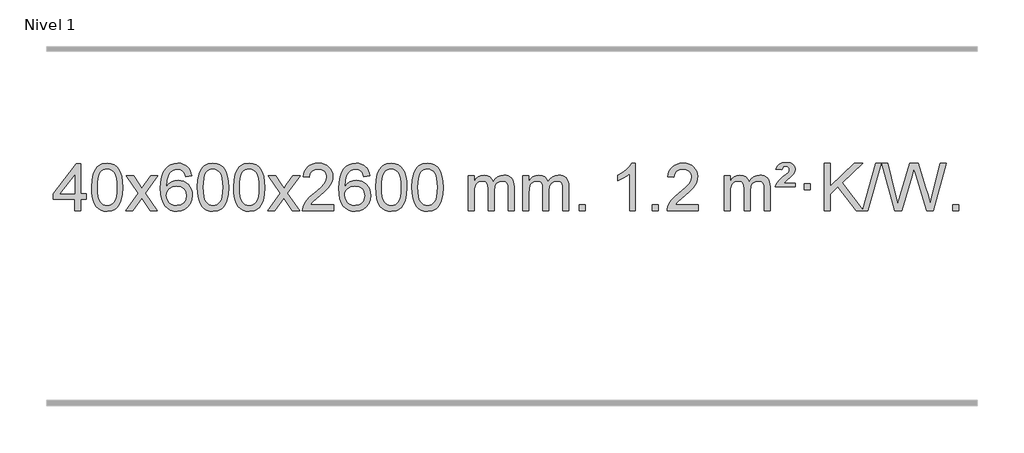
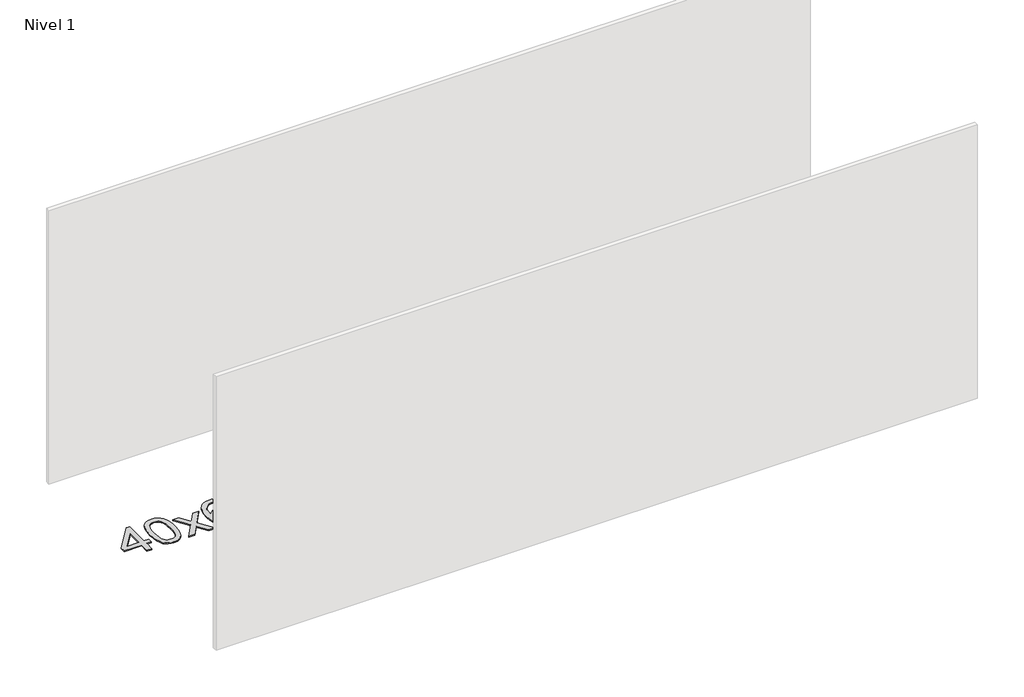
# One storey, part 12 of 12: 1 proxy.
"""IFC4 building model written with IfcOpenShell, lengths in millimetres."""

import ifcopenshell
import ifcopenshell.guid

model = None  # the IFC model being written
_history = None  # IfcOwnerHistory: only IFC2X3 demands one
_inside = {}  # id of a spatial element -> (the spatial element, [elements in it])
_under = {}  # id of a project, library or spatial element -> (it, [spatial elements below it])
_declared = {}  # id of a project -> (the project, [libraries it declares])
_typed = {}  # id of a type object -> (the type object, [elements of that type])
_made_of = {}  # id of a material, layer set ... -> (it, [elements and type objects made of it])


def new_model(schema):
    """Start an empty IFC model of exactly this schema.

    Asked for "IFC4X3", IfcOpenShell would pick the latest addendum, in which some entities
    have other attributes; the version numbers below select the first issue.
    IFC2X3 requires an IfcOwnerHistory on every rooted entity: one is made here for all.
    """
    global model, _history
    if schema == "IFC4X3":
        model = ifcopenshell.file(schema_version=(4, 3, 0, 0))
    else:
        model = ifcopenshell.file(schema=schema)
    _inside.clear()
    _under.clear()
    _declared.clear()
    _typed.clear()
    _made_of.clear()
    _history = None
    if model.schema == "IFC2X3":
        org = make("IfcOrganization", Name="unknown")
        user = make(
            "IfcPersonAndOrganization",
            ThePerson=make("IfcPerson", FamilyName="unknown"),
            TheOrganization=org,
        )
        app = make(
            "IfcApplication",
            ApplicationDeveloper=org,
            Version="unknown",
            ApplicationFullName="unknown",
            ApplicationIdentifier="unknown",
        )
        _history = make(
            "IfcOwnerHistory",
            OwningUser=user,
            OwningApplication=app,
            ChangeAction="ADDED",
            CreationDate=0,
        )
    return model


def make(cls, **values):
    """One entity of the class cls with the attributes given. An attribute that is None is left unset."""
    return model.create_entity(
        cls, **{name: value for name, value in values.items() if value is not None}
    )


def rooted(cls, **values):
    """An entity with a GlobalId (a new one), such as an element, a storey or a relation."""
    return make(cls, GlobalId=ifcopenshell.guid.new(), OwnerHistory=_history, **values)


def si_unit(unit_type, name, prefix=None):
    """IfcSIUnit, for example si_unit("LENGTHUNIT", "METRE", prefix="MILLI")."""
    return make("IfcSIUnit", UnitType=unit_type, Prefix=prefix, Name=name)


def assignment(units):
    """IfcUnitAssignment: the units of a project."""
    return None if units is None else make("IfcUnitAssignment", Units=units)


def point(xyz):
    """IfcCartesianPoint."""
    return None if xyz is None else make("IfcCartesianPoint", Coordinates=xyz)


def direction(xyz):
    """IfcDirection."""
    return None if xyz is None else make("IfcDirection", DirectionRatios=xyz)


def frame(location, z_axis=None, x_axis=None):
    """IfcAxis2Placement3D, a coordinate frame: its origin and axes. An axis left out is left unset."""
    return make(
        "IfcAxis2Placement3D",
        Location=point(location),
        Axis=direction(z_axis),
        RefDirection=direction(x_axis),
    )


def origin():
    """The frame at (0, 0, 0) with its axes left unset."""
    return frame((0.0, 0.0, 0.0))


def origin_with_axes():
    """The frame at (0, 0, 0) with the z axis (0, 0, 1) and the x axis (1, 0, 0) written out."""
    return frame((0.0, 0.0, 0.0), z_axis=(0.0, 0.0, 1.0), x_axis=(1.0, 0.0, 0.0))


def place(relative_to, where):
    """IfcLocalPlacement: puts the frame where relative to a parent placement (None: the world)."""
    return make(
        "IfcLocalPlacement", PlacementRelTo=relative_to, RelativePlacement=where
    )


def context(
    kind, dimensions, precision=None, world=None, true_north=None, identifier=None
):
    """IfcGeometricRepresentationContext, for example the 3D "Model" context."""
    return make(
        "IfcGeometricRepresentationContext",
        ContextIdentifier=identifier,
        ContextType=kind,
        CoordinateSpaceDimension=dimensions,
        Precision=precision,
        WorldCoordinateSystem=world,
        TrueNorth=true_north,
    )


def project(units=None, contexts=None):
    """IfcProject with its units and contexts."""
    return rooted(
        "IfcProject",
        Name="project",
        RepresentationContexts=contexts,
        UnitsInContext=assignment(units),
    )


def spatial(cls, under=None, at=None, **own):
    """A site, building, storey or space (cls), placed at a placement, below another one or the project."""
    s = rooted(cls, ObjectPlacement=at, **own)
    if under is not None:
        _under.setdefault(under.id(), (under, []))[1].append(s)
    return s


def polyline(points):
    """IfcPolyline through the points."""
    return make("IfcPolyline", Points=[point(p) for p in points])


def outline(outer, holes=None, kind="AREA"):
    """IfcArbitraryClosedProfileDef: a profile drawn as a closed curve; with holes, ...WithVoids."""
    if holes is None:
        return make("IfcArbitraryClosedProfileDef", ProfileType=kind, OuterCurve=outer)
    return make(
        "IfcArbitraryProfileDefWithVoids",
        ProfileType=kind,
        OuterCurve=outer,
        InnerCurves=holes,
    )


def extrude(swept, where, along, depth):
    """IfcExtrudedAreaSolid: the profile swept, set in the frame where, extruded along a direction by depth."""
    return make(
        "IfcExtrudedAreaSolid",
        SweptArea=swept,
        Position=where,
        ExtrudedDirection=direction(along),
        Depth=depth,
    )


def shape(context_of_items, identifier, shape_type, items):
    """IfcShapeRepresentation: the items that make up one representation, for example the "Body"."""
    return make(
        "IfcShapeRepresentation",
        ContextOfItems=context_of_items,
        RepresentationIdentifier=identifier,
        RepresentationType=shape_type,
        Items=items,
    )


def made_of(thing, what):
    """Note that an element or type object is made of a material, layer set ...; save() writes the relation."""
    if what is not None:
        _made_of.setdefault(what.id(), (what, []))[1].append(thing)
    return thing


def element(
    cls,
    number,
    at=None,
    inside=None,
    cuts=None,
    type_object=None,
    material=None,
    context=None,
    identifier="Body",
    shape_type=None,
    held_by="IfcProductDefinitionShape",
    body=None,
    shapes=None,
    **own,
):
    """One element of the class cls, such as IfcWall. Its Tag is "e" and its number.

    at: its placement. inside: the storey or other place that contains it. cuts: it is an
    opening in that element (IfcRelVoidsElement). A single representation is given by context,
    identifier, shape_type and body (its items); several are given by shapes. held_by: the class
    of the entity that holds the representations. save() writes the other relations.
    """
    e = rooted(cls, Tag="e%d" % number, ObjectPlacement=at, **own)
    if body is not None:
        shapes = [shape(context, identifier, shape_type, body)]
    if shapes is not None:
        e.Representation = make(held_by, Representations=shapes)
    if inside is not None:
        _inside.setdefault(inside.id(), (inside, []))[1].append(e)
    if cuts is not None:
        rooted(
            "IfcRelVoidsElement", RelatingBuildingElement=cuts, RelatedOpeningElement=e
        )
    if type_object is not None:
        _typed.setdefault(type_object.id(), (type_object, []))[1].append(e)
    return made_of(e, material)


def aggregate(whole, parts):
    """IfcRelAggregates: a whole, such as a stair, and the parts it consists of."""
    return rooted("IfcRelAggregates", RelatingObject=whole, RelatedObjects=parts)


def save(model, path):
    """Write the relations noted so far, then the file.

    IfcRelAggregates (storeys below a building ...), IfcRelContainedInSpatialStructure (elements
    in a storey), IfcRelDefinesByType, IfcRelAssociatesMaterial and IfcRelDeclares: one each for
    every whole, place, type object, material and project.
    """
    for whole, parts in _under.values():
        aggregate(whole, parts)
    for where, things in _inside.values():
        rooted(
            "IfcRelContainedInSpatialStructure",
            RelatedElements=things,
            RelatingStructure=where,
        )
    for kind, things in _typed.values():
        rooted("IfcRelDefinesByType", RelatedObjects=things, RelatingType=kind)
    for what, things in _made_of.values():
        rooted("IfcRelAssociatesMaterial", RelatedObjects=things, RelatingMaterial=what)
    for by, libraries in _declared.values():
        rooted("IfcRelDeclares", RelatingContext=by, RelatedDefinitions=libraries)
    model.write(path)


model = new_model("IFC4")

# Units and contexts
model_context = context("Model", 3, world=origin())
ifc_project = project(units=[si_unit("LENGTHUNIT", "METRE", prefix="MILLI")], contexts=[model_context])

# Site, building, storey
site = spatial("IfcSite", under=ifc_project)
building = spatial("IfcBuilding", under=site)
storey = spatial("IfcBuildingStorey", under=building, Name="Nivel 1", Elevation=0.0)

# Proxy
placement = place(None, origin())
element("IfcBuildingElementProxy", 1, Name="Texto de modelo 1", ObjectType="Texto de modelo 1", at=placement, inside=storey, context=model_context, shape_type="SweptSolid", body=[
    extrude(outline(polyline([(5407.0717935, 2608.420547), (5407.0717935, 2702.5983378), (5224.9947314, 2702.5983378), (5224.9947314, 2752.8264928), (5419.6288323, 3003.9672682), (5457.2999486, 3003.9672682), (5457.2999486, 2752.8264928), (5507.5281037, 2752.8264928), (5507.5281037, 2702.5983378), (5457.2999486, 2702.5983378), (5457.2999486, 2608.420547), (5407.0717935, 2608.420547)]), holes=[polyline([(5407.0717935, 2752.8264928), (5407.0717935, 2908.0236439), (5286.7989066, 2752.8264928), (5407.0717935, 2752.8264928)])]), origin_with_axes(), (0.0, 0.0, 1.0), 10.0),
    extrude(outline(polyline([(5551.4777394, 2806.0958057), (5555.1688221, 2870.4138412), (5566.2420701, 2921.7088541), (5584.5871189, 2960.7656593), (5596.4451819, 2975.9990395), (5610.0936039, 2988.3690716), (5625.5783702, 2997.9401349), (5642.9454661, 3004.7766086), (5683.3266464, 3010.2457876), (5714.277785, 3007.008426), (5741.9915619, 2997.2963414), (5765.1681276, 2981.4896783), (5782.5076323, 2959.9685816), (5795.6042314, 2932.9169922), (5806.05208, 2900.5188512), (5812.8946851, 2859.3773814), (5815.1755535, 2806.0958057), (5811.521259, 2742.1456523), (5800.5583756, 2690.9732667), (5782.3236913, 2651.8796734), (5770.4932195, 2636.6003078), (5756.8539945, 2624.1658964), (5741.3508341, 2614.5304538), (5723.928556, 2607.6479948), (5683.3266464, 2602.1420276), (5655.6619204, 2604.5332606), (5631.1364541, 2611.7069595), (5609.7502474, 2623.6631243), (5591.5033004, 2640.4017551), (5573.9921175, 2670.6600492), (5561.4841296, 2708.3618224), (5553.9793369, 2753.5070745), (5551.4777394, 2806.0958057)]), holes=[polyline([(5601.7058944, 2806.1939076), (5603.1774224, 2762.5293805), (5607.5920064, 2727.1851178), (5614.9496463, 2700.1611196), (5625.2503421, 2681.4573858), (5637.709279, 2668.7317344), (5651.5416421, 2659.6419835), (5666.7474312, 2654.1881329), (5683.3266464, 2652.3701827), (5699.9058617, 2654.1942643), (5715.1116508, 2659.6665089), (5728.9440138, 2668.7869167), (5741.4029507, 2681.5554876), (5751.7036466, 2700.2898783), (5759.0612865, 2727.3077451), (5763.4758705, 2762.6090882), (5764.9473984, 2806.1939076), (5763.5249214, 2848.7026722), (5759.2574902, 2883.4246011), (5752.145105, 2910.3596945), (5742.1877657, 2929.5079524), (5729.9372952, 2942.8559375), (5715.9455167, 2952.3902125), (5700.21243, 2958.1107775), (5682.7380352, 2960.0176325), (5666.2446591, 2958.3376381), (5651.2963874, 2953.2976548), (5637.89322, 2944.8976825), (5626.0351571, 2933.1377214), (5615.3911047, 2912.291075), (5607.7882101, 2884.1848906), (5603.2264734, 2848.8191681), (5601.7058944, 2806.1939076)])]), origin_with_axes(), (0.0, 0.0, 1.0), 10.0),
    extrude(outline(polyline([(5840.2896311, 2608.420547), (5947.6130718, 2756.7505675), (5846.5681504, 2903.5109581), (5906.9988995, 2903.5109581), (5955.7555266, 2832.877615), (5978.5151594, 2799.5229808), (5998.2336343, 2826.7952993), (6053.7592901, 2903.5109581), (6114.1900392, 2903.5109581), (6008.0438209, 2756.7505675), (6110.2659646, 2608.420547), (6049.8352155, 2608.420547), (5988.3253459, 2697.5951426), (5977.0436314, 2713.8800523), (5900.7203801, 2608.420547), (5840.2896311, 2608.420547)])), origin_with_axes(), (0.0, 0.0, 1.0), 10.0),
    extrude(outline(polyline([(6399.0778563, 2903.5109581), (6348.8497012, 2897.2324387), (6340.7562973, 2922.125787), (6329.8179393, 2939.1219352), (6307.0337811, 2954.7937082), (6279.4916824, 2960.0176325), (6256.1434384, 2956.9764747), (6234.1686206, 2947.8530012), (6215.2962742, 2928.6372983), (6199.8820186, 2902.1865829), (6189.4709581, 2864.772984), (6185.6081972, 2812.6686307), (6205.7558678, 2836.1762902), (6229.9011894, 2852.7432427), (6256.6952614, 2862.565692), (6284.7891831, 2865.8398418), (6308.922242, 2863.601893), (6331.1913654, 2856.8880466), (6351.5965534, 2845.6983025), (6370.137806, 2830.0326609), (6385.5459302, 2810.8230894), (6396.5517332, 2789.0015557), (6403.155215, 2764.5680599), (6405.3563756, 2737.5226018), (6401.2115718, 2701.5560055), (6388.7771604, 2668.213634), (6369.0832109, 2639.9357713), (6343.159793, 2619.1627013), (6312.184129, 2606.397196), (6277.3334413, 2602.1420276), (6247.3909126, 2604.9624563), (6220.3485203, 2613.4237421), (6196.2062643, 2627.5258853), (6174.9641448, 2647.2688857), (6157.6460999, 2673.4866092), (6145.2760678, 2707.0129217), (6137.8540485, 2747.8478232), (6135.3800421, 2795.9913136), (6138.1268943, 2849.9657337), (6146.367451, 2896.0306908), (6160.1017122, 2934.1861851), (6179.3296778, 2964.4322165), (6200.1701928, 2984.4756538), (6224.3339085, 2998.7923948), (6251.820825, 3007.3824394), (6282.6309421, 3010.2457876), (6305.7645882, 3008.4738227), (6326.7032051, 3003.1579278), (6345.4467927, 2994.2981031), (6361.9953511, 2981.8943485), (6375.9012906, 2966.3635969), (6386.7170212, 2948.1227814), (6394.4425431, 2927.1719017), (6399.0778563, 2903.5109581)]), holes=[polyline([(6185.6081972, 2738.3074168), (6188.514465, 2716.0505561), (6197.2332682, 2694.7992395), (6210.7713257, 2676.527767), (6228.1353558, 2663.2104388), (6249.0923668, 2655.0802467), (6273.4093667, 2652.3701827), (6306.5555345, 2657.9865145), (6320.4706709, 2665.0069292), (6332.6138425, 2674.8355099), (6342.4638829, 2687.0737176), (6349.499626, 2701.3230135), (6355.1282206, 2735.8548701), (6349.5732024, 2769.0010379), (6342.6294298, 2782.6218688), (6332.9081481, 2794.274531), (6320.7281883, 2803.6095366), (6306.4083817, 2810.2773978), (6271.3492275, 2815.6116867), (6238.2521107, 2810.2773978), (6210.5751219, 2794.274531), (6199.6520924, 2782.7751529), (6191.8499284, 2769.6141746), (6187.16863, 2754.7915958), (6185.6081972, 2738.3074168)])]), origin_with_axes(), (0.0, 0.0, 1.0), 10.0),
    extrude(outline(polyline([(6449.3060113, 2806.0958057), (6452.997094, 2870.4138412), (6464.0703421, 2921.7088541), (6482.4153909, 2960.7656593), (6494.2734539, 2975.9990395), (6507.9218759, 2988.3690716), (6523.4066422, 2997.9401349), (6540.7737381, 3004.7766086), (6581.1549184, 3010.2457876), (6612.1060569, 3007.008426), (6639.8198339, 2997.2963414), (6662.9963996, 2981.4896783), (6680.3359043, 2959.9685816), (6693.4325033, 2932.9169922), (6703.880352, 2900.5188512), (6710.7229571, 2859.3773814), (6713.0038255, 2806.0958057), (6709.349531, 2742.1456523), (6698.3866475, 2690.9732667), (6680.1519633, 2651.8796734), (6668.3214915, 2636.6003078), (6654.6822665, 2624.1658964), (6639.1791061, 2614.5304538), (6621.7568279, 2607.6479948), (6581.1549184, 2602.1420276), (6553.4901924, 2604.5332606), (6528.964726, 2611.7069595), (6507.5785194, 2623.6631243), (6489.3315724, 2640.4017551), (6471.8203894, 2670.6600492), (6459.3124016, 2708.3618224), (6451.8076089, 2753.5070745), (6449.3060113, 2806.0958057)]), holes=[polyline([(6499.5341664, 2806.1939076), (6501.0056944, 2762.5293805), (6505.4202783, 2727.1851178), (6512.7779182, 2700.1611196), (6523.0786141, 2681.4573858), (6535.537551, 2668.7317344), (6549.369914, 2659.6419835), (6564.5757032, 2654.1881329), (6581.1549184, 2652.3701827), (6597.7341337, 2654.1942643), (6612.9399228, 2659.6665089), (6626.7722858, 2668.7869167), (6639.2312227, 2681.5554876), (6649.5319186, 2700.2898783), (6656.8895585, 2727.3077451), (6661.3041424, 2762.6090882), (6662.7756704, 2806.1939076), (6661.3531934, 2848.7026722), (6657.0857622, 2883.4246011), (6649.973377, 2910.3596945), (6640.0160376, 2929.5079524), (6627.7655672, 2942.8559375), (6613.7737886, 2952.3902125), (6598.040702, 2958.1107775), (6580.5663072, 2960.0176325), (6564.0729311, 2958.3376381), (6549.1246594, 2953.2976548), (6535.721492, 2944.8976825), (6523.863429, 2933.1377214), (6513.2193766, 2912.291075), (6505.6164821, 2884.1848906), (6501.0547453, 2848.8191681), (6499.5341664, 2806.1939076)])]), origin_with_axes(), (0.0, 0.0, 1.0), 10.0),
    extrude(outline(polyline([(6756.9534612, 2806.0958057), (6760.6445439, 2870.4138412), (6771.7177919, 2921.7088541), (6790.0628407, 2960.7656593), (6801.9209037, 2975.9990395), (6815.5693257, 2988.3690716), (6831.054092, 2997.9401349), (6848.4211879, 3004.7766086), (6888.8023682, 3010.2457876), (6919.7535068, 3007.008426), (6947.4672837, 2997.2963414), (6970.6438494, 2981.4896783), (6987.9833541, 2959.9685816), (7001.0799532, 2932.9169922), (7011.5278018, 2900.5188512), (7018.3704069, 2859.3773814), (7020.6512753, 2806.0958057), (7016.9969808, 2742.1456523), (7006.0340974, 2690.9732667), (6987.7994131, 2651.8796734), (6975.9689413, 2636.6003078), (6962.3297163, 2624.1658964), (6946.8265559, 2614.5304538), (6929.4042778, 2607.6479948), (6888.8023682, 2602.1420276), (6861.1376422, 2604.5332606), (6836.6121759, 2611.7069595), (6815.2259692, 2623.6631243), (6796.9790222, 2640.4017551), (6779.4678393, 2670.6600492), (6766.9598514, 2708.3618224), (6759.4550587, 2753.5070745), (6756.9534612, 2806.0958057)]), holes=[polyline([(6807.1816162, 2806.1939076), (6808.6531442, 2762.5293805), (6813.0677282, 2727.1851178), (6820.4253681, 2700.1611196), (6830.7260639, 2681.4573858), (6843.1850008, 2668.7317344), (6857.0173639, 2659.6419835), (6872.223153, 2654.1881329), (6888.8023682, 2652.3701827), (6905.3815835, 2654.1942643), (6920.5873726, 2659.6665089), (6934.4197356, 2668.7869167), (6946.8786725, 2681.5554876), (6957.1793684, 2700.2898783), (6964.5370083, 2727.3077451), (6968.9515923, 2762.6090882), (6970.4231202, 2806.1939076), (6969.0006432, 2848.7026722), (6964.733212, 2883.4246011), (6957.6208268, 2910.3596945), (6947.6634875, 2929.5079524), (6935.413017, 2942.8559375), (6921.4212385, 2952.3902125), (6905.6881518, 2958.1107775), (6888.213757, 2960.0176325), (6871.7203809, 2958.3376381), (6856.7721092, 2953.2976548), (6843.3689418, 2944.8976825), (6831.5108789, 2933.1377214), (6820.8668265, 2912.291075), (6813.2639319, 2884.1848906), (6808.7021952, 2848.8191681), (6807.1816162, 2806.1939076)])]), origin_with_axes(), (0.0, 0.0, 1.0), 10.0),
    extrude(outline(polyline([(7045.7653528, 2608.420547), (7153.0887936, 2756.7505675), (7052.0438722, 2903.5109581), (7112.4746213, 2903.5109581), (7161.2312484, 2832.877615), (7183.9908812, 2799.5229808), (7203.7093561, 2826.7952993), (7259.2350119, 2903.5109581), (7319.665761, 2903.5109581), (7213.5195426, 2756.7505675), (7315.7416864, 2608.420547), (7255.3109373, 2608.420547), (7193.8010677, 2697.5951426), (7182.5193532, 2713.8800523), (7106.1961019, 2608.420547), (7045.7653528, 2608.420547)])), origin_with_axes(), (0.0, 0.0, 1.0), 10.0),
    extrude(outline(polyline([(7604.5535781, 2658.6487021), (7604.5535781, 2608.420547), (7340.8557639, 2608.420547), (7341.9594099, 2626.1034082), (7346.2513665, 2643.0505055), (7358.636727, 2670.1143576), (7376.7610466, 2696.3688693), (7402.9787702, 2723.8496544), (7439.6443423, 2754.5923264), (7493.845623, 2802.7358169), (7526.3663913, 2838.2732176), (7542.6267755, 2867.115166), (7548.0469036, 2895.1722995), (7542.9333439, 2920.3231653), (7527.5926647, 2941.2311253), (7504.0114288, 2955.3210057), (7474.176199, 2960.0176325), (7442.8449157, 2955.4313703), (7418.5033904, 2941.6725837), (7402.7948292, 2919.8203932), (7397.3624384, 2890.9539193), (7347.1342833, 2897.2324387), (7351.4538311, 2923.161988), (7359.3111773, 2945.8173875), (7370.7063221, 2965.1986373), (7385.6392655, 2981.3057373), (7403.7666508, 2993.9670093), (7424.7451215, 3003.010775), (7448.5746778, 3008.4370345), (7475.2553195, 3010.2457876), (7502.1750845, 3008.2346994), (7526.1333994, 3002.2014346), (7547.1302643, 2992.1459934), (7565.1656791, 2978.0683758), (7579.6510327, 2961.0109139), (7589.9977138, 2942.0159402), (7596.2057224, 2921.0834547), (7598.2750587, 2898.2134573), (7596.0432412, 2874.1907631), (7589.3477889, 2850.5850017), (7577.4652005, 2826.5745701), (7559.6719746, 2801.3378653), (7531.3082728, 2771.2083299), (7487.7142564, 2732.5194067), (7429.9322577, 2684.204238), (7407.2707268, 2658.6487021), (7604.5535781, 2658.6487021)])), origin_with_axes(), (0.0, 0.0, 1.0), 10.0),
    extrude(outline(polyline([(7912.2010279, 2903.5109581), (7861.9728728, 2897.2324387), (7853.8794689, 2922.125787), (7842.9411109, 2939.1219352), (7820.1569527, 2954.7937082), (7792.614854, 2960.0176325), (7769.26661, 2956.9764747), (7747.2917922, 2947.8530012), (7728.4194458, 2928.6372983), (7713.0051902, 2902.1865829), (7702.5941298, 2864.772984), (7698.7313688, 2812.6686307), (7718.8790394, 2836.1762902), (7743.024361, 2852.7432427), (7769.818433, 2862.565692), (7797.9123547, 2865.8398418), (7822.0454136, 2863.601893), (7844.314537, 2856.8880466), (7864.719725, 2845.6983025), (7883.2609776, 2830.0326609), (7898.6691018, 2810.8230894), (7909.6749049, 2789.0015557), (7916.2783867, 2764.5680599), (7918.4795473, 2737.5226018), (7914.3347435, 2701.5560055), (7901.900332, 2668.213634), (7882.2063825, 2639.9357713), (7856.2829646, 2619.1627013), (7825.3073006, 2606.397196), (7790.4566129, 2602.1420276), (7760.5140842, 2604.9624563), (7733.4716919, 2613.4237421), (7709.329436, 2627.5258853), (7688.0873164, 2647.2688857), (7670.7692715, 2673.4866092), (7658.3992394, 2707.0129217), (7650.9772202, 2747.8478232), (7648.5032137, 2795.9913136), (7651.250066, 2849.9657337), (7659.4906227, 2896.0306908), (7673.2248838, 2934.1861851), (7692.4528494, 2964.4322165), (7713.2933645, 2984.4756538), (7737.4570802, 2998.7923948), (7764.9439966, 3007.3824394), (7795.7541137, 3010.2457876), (7818.8877598, 3008.4738227), (7839.8263767, 3003.1579278), (7858.5699644, 2994.2981031), (7875.1185228, 2981.8943485), (7889.0244622, 2966.3635969), (7899.8401928, 2948.1227814), (7907.5657147, 2927.1719017), (7912.2010279, 2903.5109581)]), holes=[polyline([(7698.7313688, 2738.3074168), (7701.6376366, 2716.0505561), (7710.3564399, 2694.7992395), (7723.8944973, 2676.527767), (7741.2585275, 2663.2104388), (7762.2155385, 2655.0802467), (7786.5325383, 2652.3701827), (7819.6787061, 2657.9865145), (7833.5938426, 2665.0069292), (7845.7370141, 2674.8355099), (7855.5870545, 2687.0737176), (7862.6227977, 2701.3230135), (7868.2513922, 2735.8548701), (7862.6963741, 2769.0010379), (7855.7526014, 2782.6218688), (7846.0313197, 2794.274531), (7833.85136, 2803.6095366), (7819.5315533, 2810.2773978), (7784.4723992, 2815.6116867), (7751.3752823, 2810.2773978), (7723.6982936, 2794.274531), (7712.775264, 2782.7751529), (7704.9731, 2769.6141746), (7700.2918016, 2754.7915958), (7698.7313688, 2738.3074168)])]), origin_with_axes(), (0.0, 0.0, 1.0), 10.0),
    extrude(outline(polyline([(7962.429183, 2806.0958057), (7966.1202656, 2870.4138412), (7977.1935137, 2921.7088541), (7995.5385625, 2960.7656593), (8007.3966255, 2975.9990395), (8021.0450475, 2988.3690716), (8036.5298138, 2997.9401349), (8053.8969097, 3004.7766086), (8094.27809, 3010.2457876), (8125.2292286, 3007.008426), (8152.9430055, 2997.2963414), (8176.1195712, 2981.4896783), (8193.4590759, 2959.9685816), (8206.555675, 2932.9169922), (8217.0035236, 2900.5188512), (8223.8461287, 2859.3773814), (8226.1269971, 2806.0958057), (8222.4727026, 2742.1456523), (8211.5098192, 2690.9732667), (8193.2751349, 2651.8796734), (8181.4446631, 2636.6003078), (8167.8054381, 2624.1658964), (8152.3022777, 2614.5304538), (8134.8799996, 2607.6479948), (8094.27809, 2602.1420276), (8066.613364, 2604.5332606), (8042.0878976, 2611.7069595), (8020.701691, 2623.6631243), (8002.454744, 2640.4017551), (7984.9435611, 2670.6600492), (7972.4355732, 2708.3618224), (7964.9307805, 2753.5070745), (7962.429183, 2806.0958057)]), holes=[polyline([(8012.657338, 2806.1939076), (8014.128866, 2762.5293805), (8018.54345, 2727.1851178), (8025.9010899, 2700.1611196), (8036.2017857, 2681.4573858), (8048.6607226, 2668.7317344), (8062.4930856, 2659.6419835), (8077.6988748, 2654.1881329), (8094.27809, 2652.3701827), (8110.8573053, 2654.1942643), (8126.0630944, 2659.6665089), (8139.8954574, 2668.7869167), (8152.3543943, 2681.5554876), (8162.6550902, 2700.2898783), (8170.0127301, 2727.3077451), (8174.427314, 2762.6090882), (8175.898842, 2806.1939076), (8174.476365, 2848.7026722), (8170.2089338, 2883.4246011), (8163.0965486, 2910.3596945), (8153.1392093, 2929.5079524), (8140.8887388, 2942.8559375), (8126.8969603, 2952.3902125), (8111.1638736, 2958.1107775), (8093.6894788, 2960.0176325), (8077.1961027, 2958.3376381), (8062.247831, 2953.2976548), (8048.8446636, 2944.8976825), (8036.9866007, 2933.1377214), (8026.3425483, 2912.291075), (8018.7396537, 2884.1848906), (8014.1779169, 2848.8191681), (8012.657338, 2806.1939076)])]), origin_with_axes(), (0.0, 0.0, 1.0), 10.0),
    extrude(outline(polyline([(8270.0766328, 2806.0958057), (8273.7677155, 2870.4138412), (8284.8409635, 2921.7088541), (8303.1860124, 2960.7656593), (8315.0440753, 2975.9990395), (8328.6924974, 2988.3690716), (8344.1772637, 2997.9401349), (8361.5443595, 3004.7766086), (8401.9255399, 3010.2457876), (8432.8766784, 3007.008426), (8460.5904554, 2997.2963414), (8483.7670211, 2981.4896783), (8501.1065258, 2959.9685816), (8514.2031248, 2932.9169922), (8524.6509735, 2900.5188512), (8531.4935786, 2859.3773814), (8533.7744469, 2806.0958057), (8530.1201525, 2742.1456523), (8519.157269, 2690.9732667), (8500.9225848, 2651.8796734), (8489.0921129, 2636.6003078), (8475.452888, 2624.1658964), (8459.9497276, 2614.5304538), (8442.5274494, 2607.6479948), (8401.9255399, 2602.1420276), (8374.2608138, 2604.5332606), (8349.7353475, 2611.7069595), (8328.3491408, 2623.6631243), (8310.1021939, 2640.4017551), (8292.5910109, 2670.6600492), (8280.0830231, 2708.3618224), (8272.5782304, 2753.5070745), (8270.0766328, 2806.0958057)]), holes=[polyline([(8320.3047879, 2806.1939076), (8321.7763158, 2762.5293805), (8326.1908998, 2727.1851178), (8333.5485397, 2700.1611196), (8343.8492356, 2681.4573858), (8356.3081725, 2668.7317344), (8370.1405355, 2659.6419835), (8385.3463246, 2654.1881329), (8401.9255399, 2652.3701827), (8418.5047551, 2654.1942643), (8433.7105442, 2659.6665089), (8447.5429073, 2668.7869167), (8460.0018442, 2681.5554876), (8470.30254, 2700.2898783), (8477.6601799, 2727.3077451), (8482.0747639, 2762.6090882), (8483.5462919, 2806.1939076), (8482.1238148, 2848.7026722), (8477.8563837, 2883.4246011), (8470.7439984, 2910.3596945), (8460.7866591, 2929.5079524), (8448.5361887, 2942.8559375), (8434.5444101, 2952.3902125), (8418.8113234, 2958.1107775), (8401.3369287, 2960.0176325), (8384.8435526, 2958.3376381), (8369.8952808, 2953.2976548), (8356.4921135, 2944.8976825), (8344.6340505, 2933.1377214), (8333.9899981, 2912.291075), (8326.3871035, 2884.1848906), (8321.8253668, 2848.8191681), (8320.3047879, 2806.1939076)])]), origin_with_axes(), (0.0, 0.0, 1.0), 10.0),
    extrude(outline(polyline([(8747.244106, 2608.420547), (8747.244106, 2903.5109581), (8797.4722611, 2903.5109581), (8797.4722611, 2854.9505347), (8812.5799483, 2877.2564463), (8832.0041177, 2894.7308411), (8855.0825815, 2906.0248184), (8881.1531522, 2909.7894775), (8909.0876584, 2905.951242), (8931.4794092, 2894.4365355), (8948.2057772, 2876.0056476), (8959.1441352, 2851.4188676), (8977.4523959, 2876.9560094), (8998.3358304, 2895.196825), (9021.794439, 2906.1413143), (9047.8282215, 2909.7894775), (9067.9360383, 2908.2719642), (9085.585177, 2903.7194245), (9100.7756377, 2896.1318584), (9113.5074204, 2885.5092658), (9123.5720587, 2871.7290194), (9130.761086, 2854.6684918), (9135.0745024, 2834.3276832), (9136.5123078, 2810.7065934), (9136.5123078, 2608.420547), (9086.2841528, 2608.420547), (9086.2841528, 2789.124183), (9085.1191931, 2814.1769469), (9081.6243142, 2831.0627305), (9075.0760146, 2842.6264879), (9064.7507933, 2851.7131732), (9051.4702533, 2857.5992851), (9036.0559977, 2859.5613224), (9008.8449928, 2854.5336018), (8986.6617085, 2839.45044), (8978.0563355, 2827.8805512), (8971.9096405, 2813.2817674), (8966.9922845, 2774.9975144), (8966.9922845, 2608.420547), (8916.7641294, 2608.420547), (8916.7641294, 2794.7159894), (8913.8578616, 2823.1164794), (8905.1390583, 2843.3745146), (8889.7983791, 2855.5146204), (8867.0264836, 2859.5613224), (8847.6758907, 2856.8635211), (8829.8458767, 2848.7701172), (8815.1305968, 2835.4773144), (8805.1242066, 2817.1813165), (8799.3852475, 2791.7974589), (8797.4722611, 2757.2410768), (8797.4722611, 2608.420547), (8747.244106, 2608.420547)])), origin_with_axes(), (0.0, 0.0, 1.0), 10.0),
    extrude(outline(polyline([(9211.8545404, 2608.420547), (9211.8545404, 2903.5109581), (9262.0826955, 2903.5109581), (9262.0826955, 2854.9505347), (9277.1903828, 2877.2564463), (9296.6145521, 2894.7308411), (9319.693016, 2906.0248184), (9345.7635867, 2909.7894775), (9373.6980929, 2905.951242), (9396.0898436, 2894.4365355), (9412.8162117, 2876.0056476), (9423.7545697, 2851.4188676), (9442.0628303, 2876.9560094), (9462.9462649, 2895.196825), (9486.4048734, 2906.1413143), (9512.438656, 2909.7894775), (9532.5464727, 2908.2719642), (9550.1956114, 2903.7194245), (9565.3860721, 2896.1318584), (9578.1178548, 2885.5092658), (9588.1824931, 2871.7290194), (9595.3715204, 2854.6684918), (9599.6849368, 2834.3276832), (9601.1227423, 2810.7065934), (9601.1227423, 2608.420547), (9550.8945872, 2608.420547), (9550.8945872, 2789.124183), (9549.7296276, 2814.1769469), (9546.2347486, 2831.0627305), (9539.6864491, 2842.6264879), (9529.3612278, 2851.7131732), (9516.0806877, 2857.5992851), (9500.6664321, 2859.5613224), (9473.4554272, 2854.5336018), (9451.2721429, 2839.45044), (9442.6667699, 2827.8805512), (9436.5200749, 2813.2817674), (9431.6027189, 2774.9975144), (9431.6027189, 2608.420547), (9381.3745638, 2608.420547), (9381.3745638, 2794.7159894), (9378.4682961, 2823.1164794), (9369.7494928, 2843.3745146), (9354.4088136, 2855.5146204), (9331.6369181, 2859.5613224), (9312.2863251, 2856.8635211), (9294.4563111, 2848.7701172), (9279.7410313, 2835.4773144), (9269.734641, 2817.1813165), (9263.9956819, 2791.7974589), (9262.0826955, 2757.2410768), (9262.0826955, 2608.420547), (9211.8545404, 2608.420547)])), origin_with_axes(), (0.0, 0.0, 1.0), 10.0),
    extrude(outline(polyline([(9689.0220137, 2608.420547), (9689.0220137, 2658.6487021), (9739.2501687, 2658.6487021), (9739.2501687, 2608.420547), (9689.0220137, 2608.420547)])), origin_with_axes(), (0.0, 0.0, 1.0), 10.0),
    extrude(outline(polyline([(10166.1894869, 2608.420547), (10115.9613318, 2608.420547), (10115.9613318, 2921.5617013), (10094.9920581, 2904.6023413), (10068.3819271, 2887.6675068), (10015.5050216, 2862.3081746), (10015.5050216, 2909.7894775), (10054.9542343, 2931.2492605), (10089.1304716, 2956.780271), (10116.0716964, 2983.9299622), (10133.8158713, 3010.2457876), (10166.1894869, 3010.2457876), (10166.1894869, 2608.420547)])), origin_with_axes(), (0.0, 0.0, 1.0), 10.0),
    extrude(outline(polyline([(10310.5954327, 2608.420547), (10310.5954327, 2658.6487021), (10360.8235878, 2658.6487021), (10360.8235878, 2608.420547), (10310.5954327, 2608.420547)])), origin_with_axes(), (0.0, 0.0, 1.0), 10.0),
    extrude(outline(polyline([(10699.8636345, 2658.6487021), (10699.8636345, 2608.420547), (10436.1658204, 2608.420547), (10437.2694664, 2626.1034082), (10441.561423, 2643.0505055), (10453.9467835, 2670.1143576), (10472.0711031, 2696.3688693), (10498.2888266, 2723.8496544), (10534.9543988, 2754.5923264), (10589.1556795, 2802.7358169), (10621.6764478, 2838.2732176), (10637.936832, 2867.115166), (10643.3569601, 2895.1722995), (10638.2434003, 2920.3231653), (10622.9027211, 2941.2311253), (10599.3214853, 2955.3210057), (10569.4862554, 2960.0176325), (10538.1549722, 2955.4313703), (10513.8134468, 2941.6725837), (10498.1048856, 2919.8203932), (10492.6724949, 2890.9539193), (10442.4443398, 2897.2324387), (10446.7638875, 2923.161988), (10454.6212338, 2945.8173875), (10466.0163786, 2965.1986373), (10480.9493219, 2981.3057373), (10499.0767073, 2993.9670093), (10520.055178, 3003.010775), (10543.8847343, 3008.4370345), (10570.565376, 3010.2457876), (10597.485141, 3008.2346994), (10621.4434559, 3002.2014346), (10642.4403208, 2992.1459934), (10660.4757356, 2978.0683758), (10674.9610891, 2961.0109139), (10685.3077703, 2942.0159402), (10691.5157789, 2921.0834547), (10693.5851152, 2898.2134573), (10691.3532977, 2874.1907631), (10684.6578454, 2850.5850017), (10672.775257, 2826.5745701), (10654.9820311, 2801.3378653), (10626.6183293, 2771.2083299), (10583.0243129, 2732.5194067), (10525.2423142, 2684.204238), (10502.5807833, 2658.6487021), (10699.8636345, 2658.6487021)])), origin_with_axes(), (0.0, 0.0, 1.0), 10.0),
    extrude(outline(polyline([(10919.611813, 2608.420547), (10919.611813, 2903.5109581), (10969.8399681, 2903.5109581), (10969.8399681, 2854.9505347), (10984.9476553, 2877.2564463), (11004.3718247, 2894.7308411), (11027.4502885, 2906.0248184), (11053.5208592, 2909.7894775), (11081.4553654, 2905.951242), (11103.8471162, 2894.4365355), (11120.5734842, 2876.0056476), (11131.5118422, 2851.4188676), (11149.8201028, 2876.9560094), (11170.7035374, 2895.196825), (11194.162146, 2906.1413143), (11220.1959285, 2909.7894775), (11240.3037452, 2908.2719642), (11257.952884, 2903.7194245), (11273.1433447, 2896.1318584), (11285.8751274, 2885.5092658), (11295.9397656, 2871.7290194), (11303.128793, 2854.6684918), (11307.4422094, 2834.3276832), (11308.8800148, 2810.7065934), (11308.8800148, 2608.420547), (11258.6518597, 2608.420547), (11258.6518597, 2789.124183), (11257.4869001, 2814.1769469), (11253.9920211, 2831.0627305), (11247.4437216, 2842.6264879), (11237.1185003, 2851.7131732), (11223.8379603, 2857.5992851), (11208.4237047, 2859.5613224), (11181.2126998, 2854.5336018), (11159.0294155, 2839.45044), (11150.4240424, 2827.8805512), (11144.2773474, 2813.2817674), (11139.3599914, 2774.9975144), (11139.3599914, 2608.420547), (11089.1318364, 2608.420547), (11089.1318364, 2794.7159894), (11086.2255686, 2823.1164794), (11077.5067653, 2843.3745146), (11062.1660861, 2855.5146204), (11039.3941906, 2859.5613224), (11020.0435977, 2856.8635211), (11002.2135836, 2848.7701172), (10987.4983038, 2835.4773144), (10977.4919136, 2817.1813165), (10971.7529544, 2791.7974589), (10969.8399681, 2757.2410768), (10969.8399681, 2608.420547), (10919.611813, 2608.420547)])), origin_with_axes(), (0.0, 0.0, 1.0), 10.0),
    extrude(outline(polyline([(11352.8296505, 2809.3331673), (11356.6556233, 2825.1520931), (11364.9942818, 2841.0200698), (11386.5031158, 2866.1586728), (11418.4597984, 2893.8969753), (11462.6056379, 2931.273786), (11469.7425486, 2942.8007552), (11472.1215188, 2954.6220299), (11470.2330579, 2966.7130848), (11464.5676752, 2976.4987459), (11455.198947, 2982.973469), (11442.2004499, 2985.1317101), (11429.7660384, 2983.5130293), (11420.9123451, 2978.656987), (11414.4866729, 2969.1901569), (11409.336325, 2953.7391131), (11359.1081699, 2960.0176325), (11369.948426, 2985.2298119), (11386.5766922, 3002.7900458), (11410.3418691, 3013.0907417), (11442.5928573, 3016.524307), (11478.3755127, 3012.3917659), (11503.1217083, 2999.9941427), (11517.5426825, 2981.6613566), (11522.3496739, 2959.7233269), (11518.253921, 2936.8165414), (11505.9666624, 2915.1850801), (11485.438847, 2895.3685032), (11448.9694786, 2867.3113697), (11423.3648917, 2840.7257642), (11522.3496739, 2840.7257642), (11522.3496739, 2809.3331673), (11352.8296505, 2809.3331673)])), origin_with_axes(), (0.0, 0.0, 1.0), 10.0),
    extrude(outline(polyline([(11597.6919065, 2784.2190898), (11597.6919065, 2834.4472448), (11647.9200616, 2834.4472448), (11647.9200616, 2784.2190898), (11597.6919065, 2784.2190898)])), origin_with_axes(), (0.0, 0.0, 1.0), 10.0),
    extrude(outline(polyline([(12038.5616895, 2608.420547), (11885.1303721, 2811.0990009), (11817.440085, 2746.5479735), (11817.440085, 2608.420547), (11767.2119299, 2608.420547), (11767.2119299, 3010.2457876), (11817.440085, 3010.2457876), (11817.440085, 2813.5515475), (12023.4540023, 3010.2457876), (12093.6949379, 3010.2457876), (11920.7413492, 2845.0422463), (12095.3949591, 2614.4650668), (12206.7082868, 3010.2457876), (12252.0313486, 3010.2457876), (12139.0179997, 2608.420547), (12099.9734572, 2608.420547), (12093.6949379, 2608.420547), (12038.5616895, 2608.420547)])), origin_with_axes(), (0.0, 0.0, 1.0), 10.0),
    extrude(outline(polyline([(12366.5162255, 2608.420547), (12256.9364419, 3010.2457876), (12308.7342268, 3010.2457876), (12372.3042355, 2746.155566), (12391.9246086, 2664.6329159), (12412.9184078, 2736.7377869), (12492.5771225, 3010.2457876), (12567.2326421, 3010.2457876), (12625.1127426, 2811.9819177), (12649.9079891, 2738.4055186), (12668.1794615, 2664.6329159), (12687.2112234, 2743.8011212), (12751.3698434, 3010.2457876), (12803.1676283, 3010.2457876), (12693.4897428, 2608.420547), (12639.8280224, 2608.420547), (12543.4919906, 2918.4224416), (12530.0520351, 2961.6853642), (12514.9443478, 2909.5932737), (12427.1431783, 2608.420547), (12366.5162255, 2608.420547)])), origin_with_axes(), (0.0, 0.0, 1.0), 10.0),
    extrude(outline(polyline([(12859.6743028, 2608.420547), (12859.6743028, 2658.6487021), (12909.9024578, 2658.6487021), (12909.9024578, 2608.420547), (12859.6743028, 2608.420547)])), origin_with_axes(), (0.0, 0.0, 1.0), 10.0),
])

save(model, "model.ifc")
